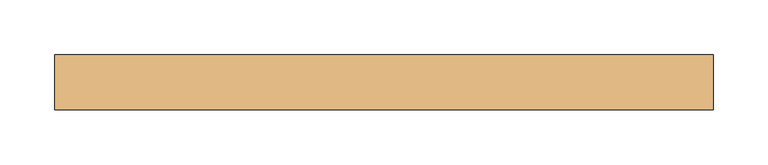
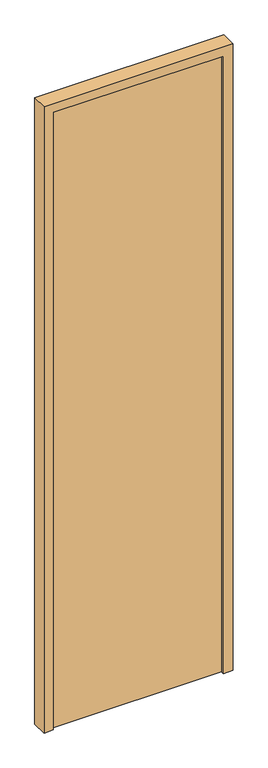
"""IFC4 building model written with IfcOpenShell, lengths in millimetres: door geometry."""

from ifc_helpers import new_model, si_unit, frame, origin, origin_with_axes, place, context, project, spatial, polyline, outline, extrude, source, transform, mapped, element, save


def door_5cc85723(model_context):
    return source(origin(), model_context, "Body", "SweptSolid", [
        extrude(outline(polyline([(2100.0, 300.0), (2100.0, -300.0), (0.0, -300.0), (0.0, -270.0), (2070.0, -270.0), (2070.0, 270.0), (0.0, 270.0), (0.0, 300.0), (2100.0, 300.0)])), frame((0.0, -25.0, 0.0), z_axis=(0.0, 1.0, 0.0), x_axis=(0.0, 0.0, 1.0)), (0.0, 0.0, 1.0), 50.0),
        extrude(outline(polyline([(270.0, -15.0), (-270.0, -15.0), (-270.0, 15.0), (270.0, 15.0), (270.0, -15.0)])), origin_with_axes(), (0.0, 0.0, 1.0), 2070.0),
    ])


if __name__ == "__main__":
    model = new_model("IFC4")
    model_context = context("Model", 3, world=origin())
    ifc_project = project(units=[si_unit("LENGTHUNIT", "METRE", prefix="MILLI")], contexts=[model_context])
    site = spatial("IfcSite", under=ifc_project)
    building = spatial("IfcBuilding", under=site)
    placement = place(None, origin())
    door_shape = door_5cc85723(model_context)
    element("IfcDoor", 1, at=placement, inside=building, context=model_context, shape_type="MappedRepresentation", body=[
        mapped(door_shape, transform((0.0, 0.0, 0.0), x_axis=(1.0, 0.0, 0.0), y_axis=(0.0, 1.0, 0.0), z_axis=(0.0, 0.0, 1.0))),
    ])
    save(model, "model.ifc")
